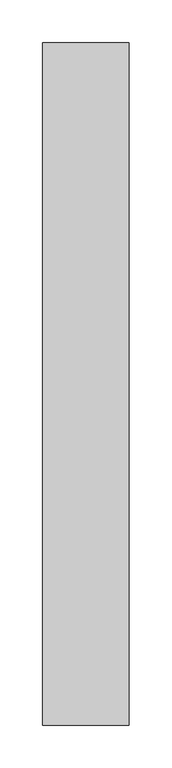
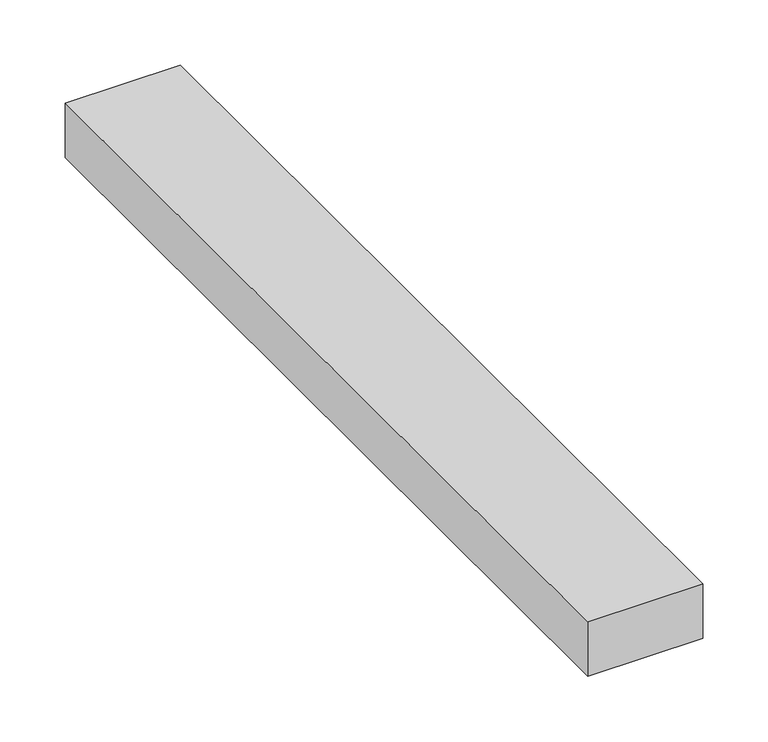
"""IFC4 building model written with IfcOpenShell, lengths in millimetres: proxy geometry."""

from ifc_helpers import new_model, si_unit, origin, origin_with_axes, place, context, project, spatial, polyline, outline, extrude, source, transform, mapped, element, save


def generic_models_df480c75(model_context):
    return source(origin(), model_context, "Body", "SweptSolid", [
        extrude(outline(polyline([(101.6, 0.0), (0.0, 0.0), (0.0, 800.0), (101.6, 800.0), (101.6, 0.0)])), origin_with_axes(), (0.0, 0.0, 1.0), 50.8),
    ])


if __name__ == "__main__":
    model = new_model("IFC4")
    model_context = context("Model", 3, world=origin())
    ifc_project = project(units=[si_unit("LENGTHUNIT", "METRE", prefix="MILLI")], contexts=[model_context])
    site = spatial("IfcSite", under=ifc_project)
    building = spatial("IfcBuilding", under=site)
    placement = place(None, origin())
    generic_models_shape = generic_models_df480c75(model_context)
    element("IfcBuildingElementProxy", 1, Name="Generic Models", at=placement, inside=building, context=model_context, shape_type="MappedRepresentation", body=[
        mapped(generic_models_shape, transform((0.0, 0.0, 0.0), x_axis=(1.0, 0.0, 0.0), y_axis=(0.0, 1.0, 0.0), z_axis=(0.0, 0.0, 1.0))),
    ])
    save(model, "model.ifc")
